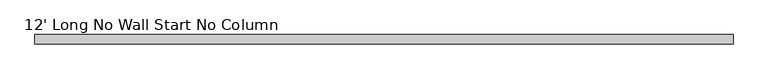
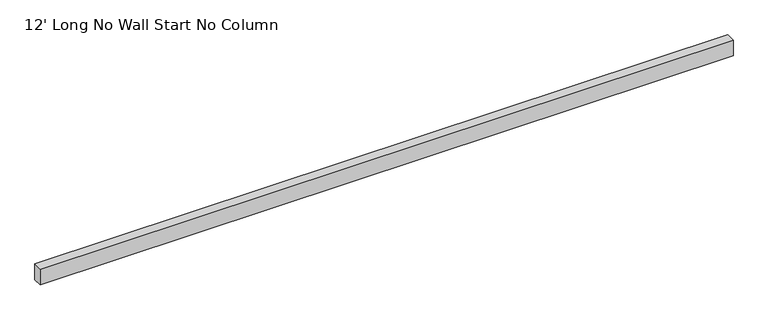
"""IFC4 building model written with IfcOpenShell, lengths in millimetres: furniture geometry, 12' Long No Wall Start No Column."""

from ifc_helpers import new_model, si_unit, frame, origin, place, context, project, spatial, polyline, outline, extrude, source, transform, mapped, element, save


def furniture_12_long_no_wall_start_no_column_0060fa70(model_context):
    return source(origin(), model_context, "Body", "SweptSolid", [
        extrude(outline(polyline([(3844.2392, -25.4), (0.0, -25.4), (0.0, 25.4), (3844.2392, 25.4), (3844.2392, -25.4)])), frame((0.0, 0.0, 2193.163), z_axis=(0.0, 0.0, 1.0), x_axis=(1.0, 0.0, 0.0)), (0.0, 0.0, 1.0), 92.71),
    ])


if __name__ == "__main__":
    model = new_model("IFC4")
    model_context = context("Model", 3, world=origin())
    ifc_project = project(units=[si_unit("LENGTHUNIT", "METRE", prefix="MILLI")], contexts=[model_context])
    site = spatial("IfcSite", under=ifc_project)
    building = spatial("IfcBuilding", under=site)
    placement = place(None, origin())
    furniture_12_long_no_wall_start_no_column_shape = furniture_12_long_no_wall_start_no_column_0060fa70(model_context)
    element("IfcFurniture", 1, ObjectType="12' Long No Wall Start No Column", at=placement, inside=building, context=model_context, shape_type="MappedRepresentation", body=[
        mapped(furniture_12_long_no_wall_start_no_column_shape, transform((0.0, 0.0, 0.0), x_axis=(1.0, 0.0, 0.0), y_axis=(0.0, 1.0, 0.0), z_axis=(0.0, 0.0, 1.0))),
    ])
    save(model, "model.ifc")
